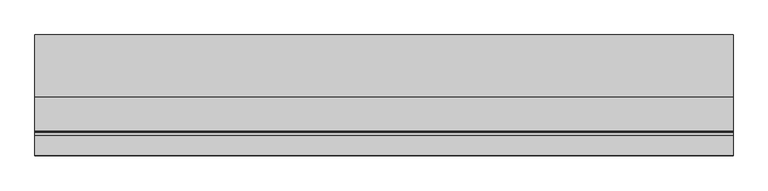
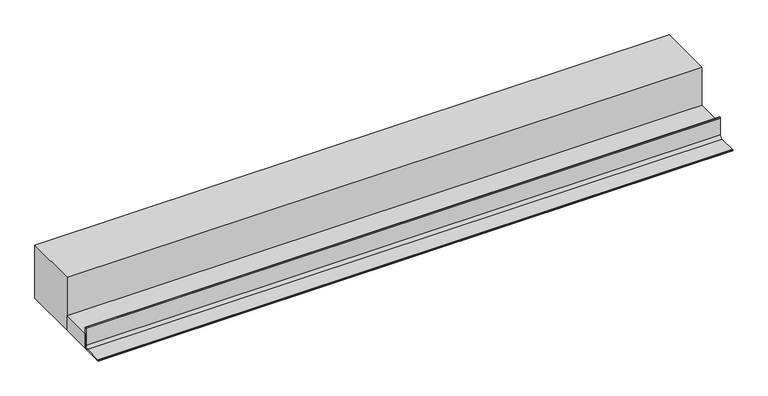
"""IFC4 building model written with IfcOpenShell, lengths in millimetres: beam geometry."""

from ifc_helpers import new_model, si_unit, frame, origin, place, context, project, spatial, polyline, circle_curve, outline, extrude, faceted_brep, source, transform, mapped, element, save
from ifc_brep_helpers import plane_surface, cylinder_surface, revolved_surface, advanced_brep


def beam_5818d187(model_context):
    return source(origin(), model_context, "Body", "SolidModel", [
        advanced_brep(
        [(320.0, -5275.0, 6000.0), (320.0, -5275.0, 6002.4745866), (320.0, -5272.4745866, 6005.0), (320.0, -5193.0410426, 6005.0), (320.0, -5180.0, 6018.0410426), (320.0, -5180.0, 6097.211754), (320.0, -5177.211754, 6100.0), (320.0, -5175.0, 6100.0), (320.0, -5175.0, 6068.9909984), (320.0, -5175.0, 6000.0), (3153.3705641, -5275.0, 6000.0), (3153.3705641, -5175.0, 6000.0), (3153.3705641, -5175.0, 6068.9909984), (3153.3705641, -5175.0, 6100.0), (3153.3705641, -5177.211754, 6100.0), (3153.3705641, -5180.0, 6097.211754), (3153.3705641, -5180.0, 6018.0410426), (3153.3705641, -5193.0410426, 6005.0), (3153.3705641, -5272.4745866, 6005.0), (3153.3705641, -5275.0, 6002.4745866), (2911.685282, -5275.0, 6000.0), (561.685282, -5275.0, 6000.0)],
        [
            (0, 1),
            (1, 2, circle_curve(frame((320.0, -5272.4745866, 6002.4745866), z_axis=(-1.0, 0.0, 0.0), x_axis=(0.0, 1.0, 0.0)), 2.5254134)),
            (2, 3),
            (3, 4, circle_curve(frame((320.0, -5193.0410426, 6018.0410426), z_axis=(1.0, 0.0, 0.0), x_axis=(0.0, 1.0, 0.0)), 13.0410426)),
            (4, 5),
            (5, 6, circle_curve(frame((320.0, -5177.211754, 6097.211754), z_axis=(-1.0, 0.0, 0.0), x_axis=(0.0, 1.0, 0.0)), 2.788246)),
            (6, 7),
            (7, 8),
            (8, 9),
            (9, 0),
            (10, 11),
            (11, 12),
            (12, 13),
            (13, 14),
            (14, 15, circle_curve(frame((3153.3705641, -5177.211754, 6097.211754), z_axis=(1.0, 0.0, 0.0), x_axis=(0.0, 1.0, 0.0)), 2.788246)),
            (15, 16),
            (16, 17, circle_curve(frame((3153.3705641, -5193.0410426, 6018.0410426), z_axis=(-1.0, 0.0, 0.0), x_axis=(0.0, 1.0, 0.0)), 13.0410426)),
            (17, 18),
            (18, 19, circle_curve(frame((3153.3705641, -5272.4745866, 6002.4745866), z_axis=(1.0, 0.0, 0.0), x_axis=(0.0, 1.0, 0.0)), 2.5254134)),
            (19, 10),
            (9, 11),
            (10, 20),
            (20, 21),
            (21, 0),
            (7, 13),
            (6, 14),
            (19, 1),
            (5, 15),
            (4, 16),
            (3, 17),
            (2, 18),
        ],
        [
            plane_surface(frame((320.0, -5275.0, 6365.0), z_axis=(-1.0, 0.0, 0.0), x_axis=(0.0, 0.0, 1.0))),
            plane_surface(frame((3153.3705641, -5275.0, 6365.0), z_axis=(1.0, 0.0, 0.0), x_axis=(0.0, 0.0, -1.0))),
            plane_surface(frame((320.0, -5175.0, 6000.0), z_axis=(0.0, 0.0, -1.0), x_axis=(1.0, 0.0, 0.0))),
            plane_surface(frame((320.0, -5175.0, 6100.0), z_axis=(0.0, 1.0, 0.0), x_axis=(1.0, 0.0, 0.0))),
            plane_surface(frame((320.0, -5177.211754, 6100.0), z_axis=(0.0, 0.0, 1.0), x_axis=(1.0, 0.0, 0.0))),
            plane_surface(frame((320.0, -5275.0, 6000.0), z_axis=(0.0, -1.0, 0.0), x_axis=(1.0, 0.0, 0.0))),
            cylinder_surface(frame((3153.3705641, -5177.211754, 6097.211754), z_axis=(-1.0, 0.0, 0.0), x_axis=(0.0, 1.0, 0.0)), 2.788246),
            plane_surface(frame((320.0, -5180.0, 6018.0410426), z_axis=(0.0, -1.0, 0.0), x_axis=(1.0, 0.0, 0.0))),
            revolved_surface(polyline([(3153.3705641, -5180.0, 6018.0410426), (320.0, -5180.0, 6018.0410426)]), (3153.3705641, -5193.0410426, 6018.0410426), (1.0, 0.0, 0.0)),
            plane_surface(frame((320.0, -5272.4745866, 6005.0), z_axis=(0.0, 0.0, 1.0), x_axis=(1.0, 0.0, 0.0))),
            cylinder_surface(frame((3153.3705641, -5272.4745866, 6002.4745866), z_axis=(-1.0, 0.0, 0.0), x_axis=(0.0, 1.0, 0.0)), 2.5254134),
        ],
        [
            (0, [[1, 2, 3, 4, 5, 6, 7, 8, 9, 10]]),
            (1, [[11, 12, 13, 14, 15, 16, 17, 18, 19, 20]]),
            (2, [[-10, 21, -11, 22, 23, 24]]),
            (3, [[-9, -8, 25, -13, -12, -21]]),
            (4, [[-7, 26, -14, -25]]),
            (5, [[-1, -24, -23, -22, -20, 27]]),
            (6, [[-6, 28, -15, -26]]),
            (7, [[-5, 29, -16, -28]]),
            (8, [[-4, 30, -17, -29]]),
            (9, [[-3, 31, -18, -30]]),
            (10, [[-2, -27, -19, -31]]),
        ],
    ),
        extrude(outline(polyline([(320.0, -5175.0), (320.0, -5035.0), (3153.3705641, -5035.0), (3153.3705641, -5175.0), (320.0, -5175.0)])), frame((0.0, 0.0, 6000.0), z_axis=(0.0, 0.0, 1.0), x_axis=(1.0, 0.0, 0.0)), (0.0, 0.0, 1.0), 68.9909984),
        faceted_brep([(320.0, -5035.0, 6000.0), (320.0, -5035.0, 6068.9909984), (320.0, -5035.0, 6250.0), (320.0, -4785.0, 6250.0), (320.0, -4785.0, 6000.0), (3153.3705641, -5035.0, 6000.0), (3153.3705641, -4785.0, 6000.0), (3153.3705641, -4785.0, 6250.0), (3153.3705641, -5035.0, 6250.0), (3153.3705641, -5035.0, 6068.9909984), (561.685282, -4785.0, 6000.0), (2911.685282, -4785.0, 6000.0)], [[[0, 1, 2, 3, 4]], [[5, 6, 7, 8, 9]], [[0, 4, 10, 11, 6, 5]], [[4, 3, 7, 6, 11, 10]], [[3, 2, 8, 7]], [[2, 1, 0, 5, 9, 8]]]),
    ])


if __name__ == "__main__":
    model = new_model("IFC4")
    model_context = context("Model", 3, world=origin())
    ifc_project = project(units=[si_unit("LENGTHUNIT", "METRE", prefix="MILLI")], contexts=[model_context])
    site = spatial("IfcSite", under=ifc_project)
    building = spatial("IfcBuilding", under=site)
    placement = place(None, origin())
    beam_shape = beam_5818d187(model_context)
    element("IfcBeam", 1, at=placement, inside=building, context=model_context, shape_type="MappedRepresentation", body=[
        mapped(beam_shape, transform((0.0, 0.0, 0.0), x_axis=(1.0, 0.0, 0.0), y_axis=(0.0, 1.0, 0.0), z_axis=(0.0, 0.0, 1.0))),
    ])
    save(model, "model.ifc")
